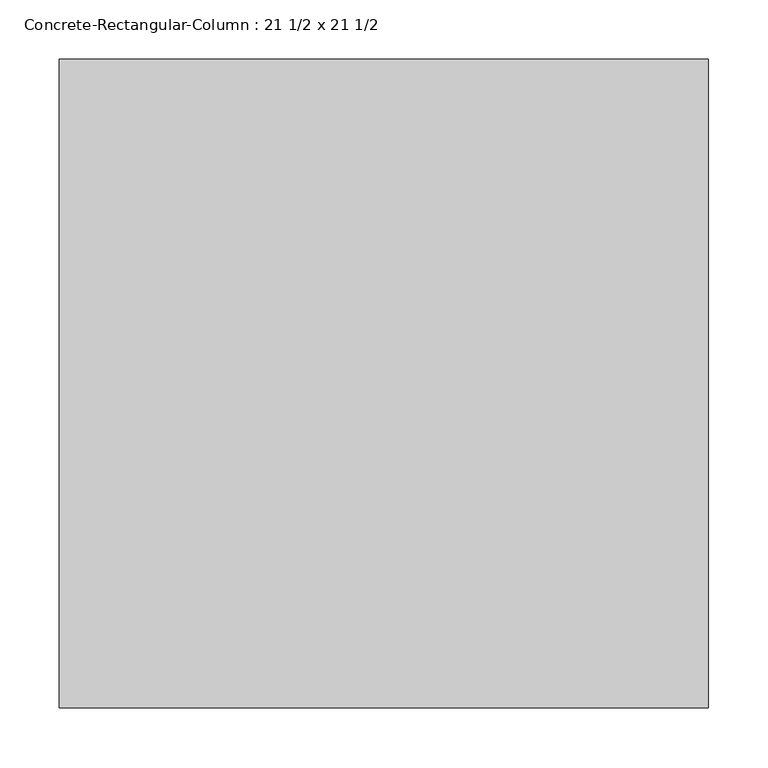
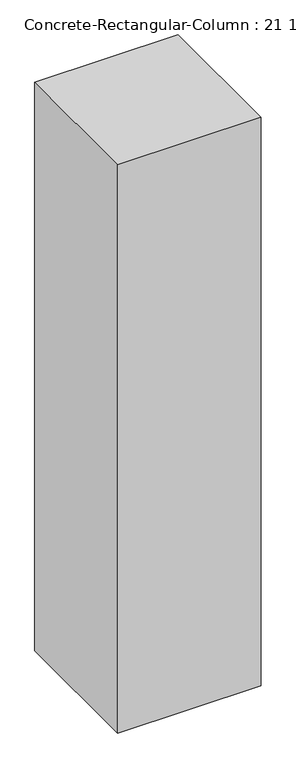
"""IFC4 building model written with IfcOpenShell, lengths in millimetres: column geometry, Concrete-Rectangular-Column : 21 1/2 x 21 1/2."""

from ifc_helpers import new_model, si_unit, frame, origin, place, context, project, spatial, polyline, outline, extrude, source, transform, mapped, element, save


def concrete_rectangular_column_21_1_2_x_21_1_2_da79d8e8(model_context):
    return source(origin(), model_context, "Body", "SweptSolid", [
        extrude(outline(polyline([(273.05, 273.05), (273.05, -273.05), (-273.05, -273.05), (-273.05, 273.05), (273.05, 273.05)])), frame((0.0, 0.0, 3810.0), z_axis=(0.0, 0.0, 1.0), x_axis=(1.0, 0.0, 0.0)), (0.0, 0.0, 1.0), 2286.0),
    ])


if __name__ == "__main__":
    model = new_model("IFC4")
    model_context = context("Model", 3, world=origin())
    ifc_project = project(units=[si_unit("LENGTHUNIT", "METRE", prefix="MILLI")], contexts=[model_context])
    site = spatial("IfcSite", under=ifc_project)
    building = spatial("IfcBuilding", under=site)
    placement = place(None, origin())
    concrete_rectangular_column_21_1_2_x_21_1_2_shape = concrete_rectangular_column_21_1_2_x_21_1_2_da79d8e8(model_context)
    element("IfcColumn", 1, ObjectType="Concrete-Rectangular-Column : 21 1/2 x 21 1/2", at=placement, inside=building, context=model_context, shape_type="MappedRepresentation", body=[
        mapped(concrete_rectangular_column_21_1_2_x_21_1_2_shape, transform((0.0, 0.0, 0.0), x_axis=(1.0, 0.0, 0.0), y_axis=(0.0, 1.0, 0.0), z_axis=(0.0, 0.0, 1.0))),
    ])
    save(model, "model.ifc")
